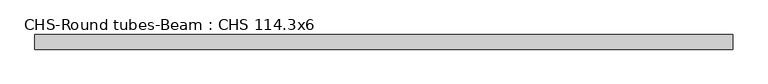
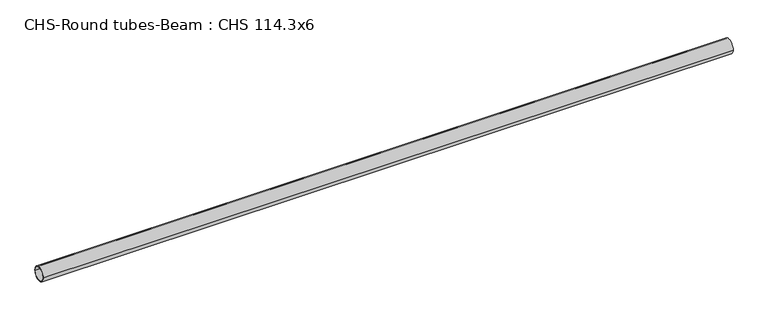
"""IFC4 building model written with IfcOpenShell, lengths in millimetres: beam geometry, CHS-Round tubes-Beam : CHS 114.3x6."""

import ifcopenshell
import ifcopenshell.guid

model = None  # the IFC model being written
_history = None  # IfcOwnerHistory: only IFC2X3 demands one
_inside = {}  # id of a spatial element -> (the spatial element, [elements in it])
_under = {}  # id of a project, library or spatial element -> (it, [spatial elements below it])
_declared = {}  # id of a project -> (the project, [libraries it declares])
_typed = {}  # id of a type object -> (the type object, [elements of that type])
_made_of = {}  # id of a material, layer set ... -> (it, [elements and type objects made of it])


def new_model(schema):
    """Start an empty IFC model of exactly this schema.

    Asked for "IFC4X3", IfcOpenShell would pick the latest addendum, in which some entities
    have other attributes; the version numbers below select the first issue.
    IFC2X3 requires an IfcOwnerHistory on every rooted entity: one is made here for all.
    """
    global model, _history
    if schema == "IFC4X3":
        model = ifcopenshell.file(schema_version=(4, 3, 0, 0))
    else:
        model = ifcopenshell.file(schema=schema)
    _inside.clear()
    _under.clear()
    _declared.clear()
    _typed.clear()
    _made_of.clear()
    _history = None
    if model.schema == "IFC2X3":
        org = make("IfcOrganization", Name="unknown")
        user = make(
            "IfcPersonAndOrganization",
            ThePerson=make("IfcPerson", FamilyName="unknown"),
            TheOrganization=org,
        )
        app = make(
            "IfcApplication",
            ApplicationDeveloper=org,
            Version="unknown",
            ApplicationFullName="unknown",
            ApplicationIdentifier="unknown",
        )
        _history = make(
            "IfcOwnerHistory",
            OwningUser=user,
            OwningApplication=app,
            ChangeAction="ADDED",
            CreationDate=0,
        )
    return model


def make(cls, **values):
    """One entity of the class cls with the attributes given. An attribute that is None is left unset."""
    return model.create_entity(
        cls, **{name: value for name, value in values.items() if value is not None}
    )


def rooted(cls, **values):
    """An entity with a GlobalId (a new one), such as an element, a storey or a relation."""
    return make(cls, GlobalId=ifcopenshell.guid.new(), OwnerHistory=_history, **values)


def si_unit(unit_type, name, prefix=None):
    """IfcSIUnit, for example si_unit("LENGTHUNIT", "METRE", prefix="MILLI")."""
    return make("IfcSIUnit", UnitType=unit_type, Prefix=prefix, Name=name)


def assignment(units):
    """IfcUnitAssignment: the units of a project."""
    return None if units is None else make("IfcUnitAssignment", Units=units)


def point(xyz):
    """IfcCartesianPoint."""
    return None if xyz is None else make("IfcCartesianPoint", Coordinates=xyz)


def direction(xyz):
    """IfcDirection."""
    return None if xyz is None else make("IfcDirection", DirectionRatios=xyz)


def frame(location, z_axis=None, x_axis=None):
    """IfcAxis2Placement3D, a coordinate frame: its origin and axes. An axis left out is left unset."""
    return make(
        "IfcAxis2Placement3D",
        Location=point(location),
        Axis=direction(z_axis),
        RefDirection=direction(x_axis),
    )


def frame_2d(location, x_axis=None):
    """IfcAxis2Placement2D, a coordinate frame in the plane: its origin and x axis."""
    return make(
        "IfcAxis2Placement2D", Location=point(location), RefDirection=direction(x_axis)
    )


def origin():
    """The frame at (0, 0, 0) with its axes left unset."""
    return frame((0.0, 0.0, 0.0))


def origin_2d():
    """The frame at (0, 0) in the plane with its x axis left unset."""
    return frame_2d((0.0, 0.0))


def place(relative_to, where):
    """IfcLocalPlacement: puts the frame where relative to a parent placement (None: the world)."""
    return make(
        "IfcLocalPlacement", PlacementRelTo=relative_to, RelativePlacement=where
    )


def context(
    kind, dimensions, precision=None, world=None, true_north=None, identifier=None
):
    """IfcGeometricRepresentationContext, for example the 3D "Model" context."""
    return make(
        "IfcGeometricRepresentationContext",
        ContextIdentifier=identifier,
        ContextType=kind,
        CoordinateSpaceDimension=dimensions,
        Precision=precision,
        WorldCoordinateSystem=world,
        TrueNorth=true_north,
    )


def project(units=None, contexts=None):
    """IfcProject with its units and contexts."""
    return rooted(
        "IfcProject",
        Name="project",
        RepresentationContexts=contexts,
        UnitsInContext=assignment(units),
    )


def spatial(cls, under=None, at=None, **own):
    """A site, building, storey or space (cls), placed at a placement, below another one or the project."""
    s = rooted(cls, ObjectPlacement=at, **own)
    if under is not None:
        _under.setdefault(under.id(), (under, []))[1].append(s)
    return s


def circle_curve(where, radius):
    """IfcCircle in the frame where."""
    return make("IfcCircle", Position=where, Radius=radius)


def trimmed(basis, trim1, trim2, sense, master):
    """IfcTrimmedCurve: the piece of a basis curve between two trims."""
    return make(
        "IfcTrimmedCurve",
        BasisCurve=basis,
        Trim1=trim1,
        Trim2=trim2,
        SenseAgreement=sense,
        MasterRepresentation=master,
    )


def segment(curve, same_sense, transition):
    """IfcCompositeCurveSegment."""
    return make(
        "IfcCompositeCurveSegment",
        Transition=transition,
        SameSense=same_sense,
        ParentCurve=curve,
    )


def composite_curve(segments, self_intersect=None):
    """IfcCompositeCurve: segments joined end to end."""
    return make("IfcCompositeCurve", Segments=segments, SelfIntersect=self_intersect)


def outline(outer, holes=None, kind="AREA"):
    """IfcArbitraryClosedProfileDef: a profile drawn as a closed curve; with holes, ...WithVoids."""
    if holes is None:
        return make("IfcArbitraryClosedProfileDef", ProfileType=kind, OuterCurve=outer)
    return make(
        "IfcArbitraryProfileDefWithVoids",
        ProfileType=kind,
        OuterCurve=outer,
        InnerCurves=holes,
    )


def extrude(swept, where, along, depth):
    """IfcExtrudedAreaSolid: the profile swept, set in the frame where, extruded along a direction by depth."""
    return make(
        "IfcExtrudedAreaSolid",
        SweptArea=swept,
        Position=where,
        ExtrudedDirection=direction(along),
        Depth=depth,
    )


def shape(context_of_items, identifier, shape_type, items):
    """IfcShapeRepresentation: the items that make up one representation, for example the "Body"."""
    return make(
        "IfcShapeRepresentation",
        ContextOfItems=context_of_items,
        RepresentationIdentifier=identifier,
        RepresentationType=shape_type,
        Items=items,
    )


def source(mapping_origin, context_of_items, identifier, shape_type, items):
    """IfcRepresentationMap: a shape defined once, which mapped items show again and again."""
    return make(
        "IfcRepresentationMap",
        MappingOrigin=mapping_origin,
        MappedRepresentation=shape(context_of_items, identifier, shape_type, items),
    )


def transform(
    local_origin,
    x_axis=None,
    y_axis=None,
    z_axis=None,
    scale=None,
    scale2=None,
    scale3=None,
    uniform=True,
):
    """IfcCartesianTransformationOperator3D, or its non-uniform kind. x_axis, y_axis, z_axis: its Axis1, 2, 3."""
    if uniform:
        return make(
            "IfcCartesianTransformationOperator3D",
            Axis1=direction(x_axis),
            Axis2=direction(y_axis),
            LocalOrigin=point(local_origin),
            Scale=scale,
            Axis3=direction(z_axis),
        )
    return make(
        "IfcCartesianTransformationOperator3DnonUniform",
        Axis1=direction(x_axis),
        Axis2=direction(y_axis),
        LocalOrigin=point(local_origin),
        Scale=scale,
        Axis3=direction(z_axis),
        Scale2=scale2,
        Scale3=scale3,
    )


def mapped(mapping_source, mapping_target):
    """IfcMappedItem: shows the shape of a source again, moved by a transform."""
    return make(
        "IfcMappedItem", MappingSource=mapping_source, MappingTarget=mapping_target
    )


def made_of(thing, what):
    """Note that an element or type object is made of a material, layer set ...; save() writes the relation."""
    if what is not None:
        _made_of.setdefault(what.id(), (what, []))[1].append(thing)
    return thing


def element(
    cls,
    number,
    at=None,
    inside=None,
    cuts=None,
    type_object=None,
    material=None,
    context=None,
    identifier="Body",
    shape_type=None,
    held_by="IfcProductDefinitionShape",
    body=None,
    shapes=None,
    **own,
):
    """One element of the class cls, such as IfcWall. Its Tag is "e" and its number.

    at: its placement. inside: the storey or other place that contains it. cuts: it is an
    opening in that element (IfcRelVoidsElement). A single representation is given by context,
    identifier, shape_type and body (its items); several are given by shapes. held_by: the class
    of the entity that holds the representations. save() writes the other relations.
    """
    e = rooted(cls, Tag="e%d" % number, ObjectPlacement=at, **own)
    if body is not None:
        shapes = [shape(context, identifier, shape_type, body)]
    if shapes is not None:
        e.Representation = make(held_by, Representations=shapes)
    if inside is not None:
        _inside.setdefault(inside.id(), (inside, []))[1].append(e)
    if cuts is not None:
        rooted(
            "IfcRelVoidsElement", RelatingBuildingElement=cuts, RelatedOpeningElement=e
        )
    if type_object is not None:
        _typed.setdefault(type_object.id(), (type_object, []))[1].append(e)
    return made_of(e, material)


def aggregate(whole, parts):
    """IfcRelAggregates: a whole, such as a stair, and the parts it consists of."""
    return rooted("IfcRelAggregates", RelatingObject=whole, RelatedObjects=parts)


def save(model, path):
    """Write the relations noted so far, then the file.

    IfcRelAggregates (storeys below a building ...), IfcRelContainedInSpatialStructure (elements
    in a storey), IfcRelDefinesByType, IfcRelAssociatesMaterial and IfcRelDeclares: one each for
    every whole, place, type object, material and project.
    """
    for whole, parts in _under.values():
        aggregate(whole, parts)
    for where, things in _inside.values():
        rooted(
            "IfcRelContainedInSpatialStructure",
            RelatedElements=things,
            RelatingStructure=where,
        )
    for kind, things in _typed.values():
        rooted("IfcRelDefinesByType", RelatedObjects=things, RelatingType=kind)
    for what, things in _made_of.values():
        rooted("IfcRelAssociatesMaterial", RelatedObjects=things, RelatingMaterial=what)
    for by, libraries in _declared.values():
        rooted("IfcRelDeclares", RelatingContext=by, RelatedDefinitions=libraries)
    model.write(path)


def chs_round_tubes_beam_chs_114_3x6_4e313eb3(model_context):
    return source(origin(), model_context, "Body", "SweptSolid", [
        extrude(outline(composite_curve([segment(trimmed(circle_curve(origin_2d(), 57.15), [point((57.15, 0.0))], [point((-57.15, 0.0))], False, "CARTESIAN"), True, "CONTINUOUS"), segment(trimmed(circle_curve(origin_2d(), 57.15), [point((-57.15, 0.0))], [point((57.15, 0.0))], False, "CARTESIAN"), True, "CONTINUOUS")], self_intersect=False), holes=[composite_curve([segment(trimmed(circle_curve(origin_2d(), 51.15), [point((51.15, 0.0))], [point((-51.15, 0.0))], True, "CARTESIAN"), True, "CONTINUOUS"), segment(trimmed(circle_curve(origin_2d(), 51.15), [point((-51.15, 0.0))], [point((51.15, 0.0))], True, "CARTESIAN"), True, "CONTINUOUS")], self_intersect=False)]), frame((-2745.7743871, 0.0, 0.0), z_axis=(1.0, 0.0, 0.0), x_axis=(0.0, 1.0, 0.0)), (0.0, 0.0, 1.0), 5463.3254802),
    ])


if __name__ == "__main__":
    model = new_model("IFC4")
    model_context = context("Model", 3, world=origin())
    ifc_project = project(units=[si_unit("LENGTHUNIT", "METRE", prefix="MILLI")], contexts=[model_context])
    site = spatial("IfcSite", under=ifc_project)
    building = spatial("IfcBuilding", under=site)
    placement = place(None, origin())
    chs_round_tubes_beam_chs_114_3x6_shape = chs_round_tubes_beam_chs_114_3x6_4e313eb3(model_context)
    element("IfcBeam", 1, ObjectType="CHS-Round tubes-Beam : CHS 114.3x6", at=placement, inside=building, context=model_context, shape_type="MappedRepresentation", body=[
        mapped(chs_round_tubes_beam_chs_114_3x6_shape, transform((0.0, 0.0, 0.0), x_axis=(1.0, 0.0, 0.0), y_axis=(0.0, 1.0, 0.0), z_axis=(0.0, 0.0, 1.0))),
    ])
    save(model, "model.ifc")
